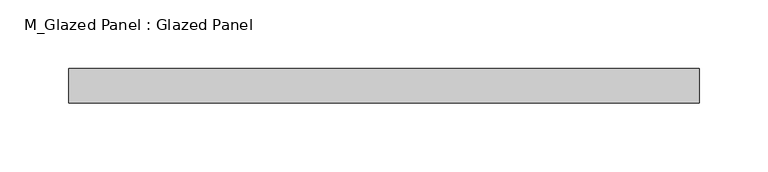
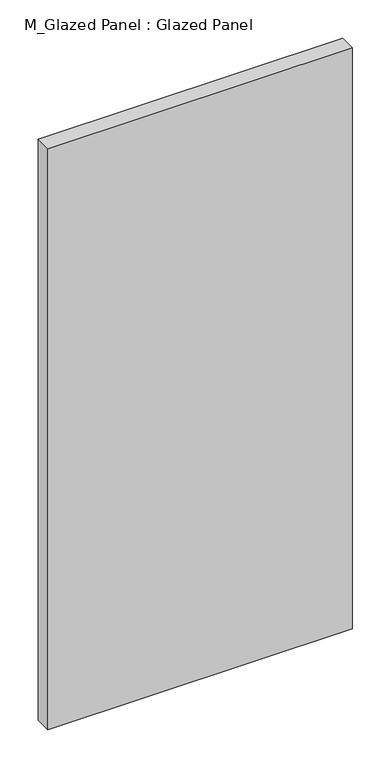
"""IFC4 building model written with IfcOpenShell, lengths in millimetres: plate geometry, M_Glazed Panel : Glazed Panel."""

from ifc_helpers import new_model, si_unit, origin, origin_with_axes, place, context, project, spatial, polyline, outline, extrude, source, transform, mapped, element, save


def m_glazed_panel_glazed_panel_1155c5f6(model_context):
    return source(origin(), model_context, "Body", "SweptSolid", [
        extrude(outline(polyline([(229.2342697, -38.5), (229.2342697, -63.5), (-229.2342697, -63.5), (-229.2342697, -38.5), (229.2342697, -38.5)])), origin_with_axes(), (0.0, 0.0, 1.0), 925.0),
    ])


if __name__ == "__main__":
    model = new_model("IFC4")
    model_context = context("Model", 3, world=origin())
    ifc_project = project(units=[si_unit("LENGTHUNIT", "METRE", prefix="MILLI")], contexts=[model_context])
    site = spatial("IfcSite", under=ifc_project)
    building = spatial("IfcBuilding", under=site)
    placement = place(None, origin())
    m_glazed_panel_glazed_panel_shape = m_glazed_panel_glazed_panel_1155c5f6(model_context)
    element("IfcPlate", 1, ObjectType="M_Glazed Panel : Glazed Panel", at=placement, inside=building, context=model_context, shape_type="MappedRepresentation", body=[
        mapped(m_glazed_panel_glazed_panel_shape, transform((0.0, 0.0, 0.0), x_axis=(1.0, 0.0, 0.0), y_axis=(0.0, 1.0, 0.0), z_axis=(0.0, 0.0, 1.0))),
    ])
    save(model, "model.ifc")
